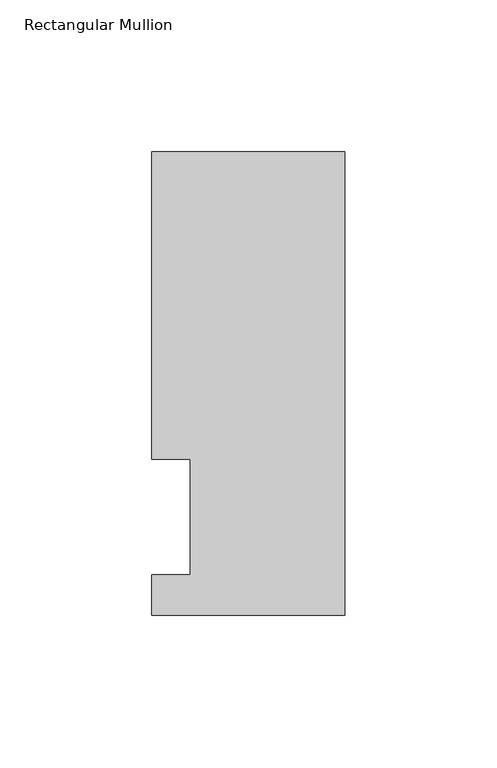
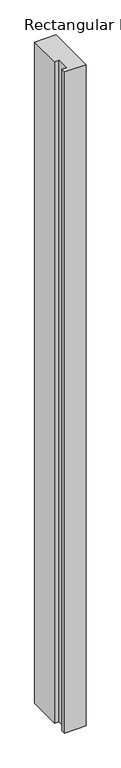
"""IFC4 building model written with IfcOpenShell, lengths in millimetres: member geometry, Rectangular Mullion."""

from ifc_helpers import new_model, si_unit, frame, origin, place, context, project, spatial, polyline, outline, extrude, source, transform, mapped, element, save


def rectangular_mullion_dba11575(model_context):
    return source(origin(), model_context, "Body", "SweptSolid", [
        extrude(outline(polyline([(-19.0499998, 51.2960937), (-31.7499998, 51.2960938), (-31.7499998, 152.4896938), (31.7500003, 152.4896938), (31.7500003, 0.0134938), (-31.7499998, 0.0134938), (-31.7499998, 13.1960938), (-19.0499998, 13.1960938), (-19.0499998, 51.2960937)])), frame((0.0, 0.0, -2057.4), z_axis=(0.0, 0.0, 1.0), x_axis=(1.0, 0.0, 0.0)), (0.0, 0.0, 1.0), 2057.4),
    ])


if __name__ == "__main__":
    model = new_model("IFC4")
    model_context = context("Model", 3, world=origin())
    ifc_project = project(units=[si_unit("LENGTHUNIT", "METRE", prefix="MILLI")], contexts=[model_context])
    site = spatial("IfcSite", under=ifc_project)
    building = spatial("IfcBuilding", under=site)
    placement = place(None, origin())
    rectangular_mullion_shape = rectangular_mullion_dba11575(model_context)
    element("IfcMember", 1, ObjectType="Rectangular Mullion", at=placement, inside=building, context=model_context, shape_type="MappedRepresentation", body=[
        mapped(rectangular_mullion_shape, transform((0.0, 0.0, 0.0), x_axis=(1.0, 0.0, 0.0), y_axis=(0.0, 1.0, 0.0), z_axis=(0.0, 0.0, 1.0))),
    ])
    save(model, "model.ifc")
